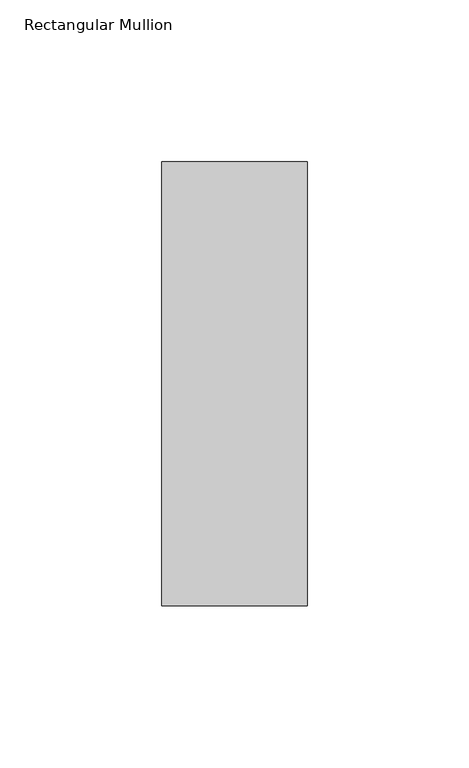
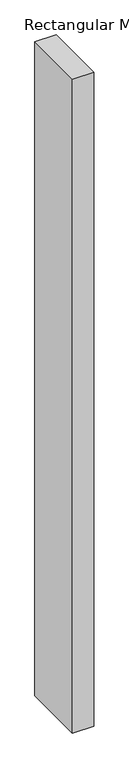
"""IFC4 building model written with IfcOpenShell, lengths in millimetres: member geometry, Rectangular Mullion."""

from ifc_helpers import new_model, si_unit, frame, origin, place, context, project, spatial, polyline, outline, extrude, source, transform, mapped, element, save


def rectangular_mullion_9668795b(model_context):
    return source(origin(), model_context, "Body", "SweptSolid", [
        extrude(outline(polyline([(0.0, 84.19375), (0.0, -53.19375), (-45.0, -53.19375), (-45.0, 84.19375), (0.0, 84.19375)])), frame((0.0, 0.0, -1461.5642788), z_axis=(0.0, 0.0, 1.0), x_axis=(1.0, 0.0, 0.0)), (0.0, 0.0, 1.0), 1461.5642788),
    ])


if __name__ == "__main__":
    model = new_model("IFC4")
    model_context = context("Model", 3, world=origin())
    ifc_project = project(units=[si_unit("LENGTHUNIT", "METRE", prefix="MILLI")], contexts=[model_context])
    site = spatial("IfcSite", under=ifc_project)
    building = spatial("IfcBuilding", under=site)
    placement = place(None, origin())
    rectangular_mullion_shape = rectangular_mullion_9668795b(model_context)
    element("IfcMember", 1, ObjectType="Rectangular Mullion", at=placement, inside=building, context=model_context, shape_type="MappedRepresentation", body=[
        mapped(rectangular_mullion_shape, transform((0.0, 0.0, 0.0), x_axis=(1.0, 0.0, 0.0), y_axis=(0.0, 1.0, 0.0), z_axis=(0.0, 0.0, 1.0))),
    ])
    save(model, "model.ifc")
